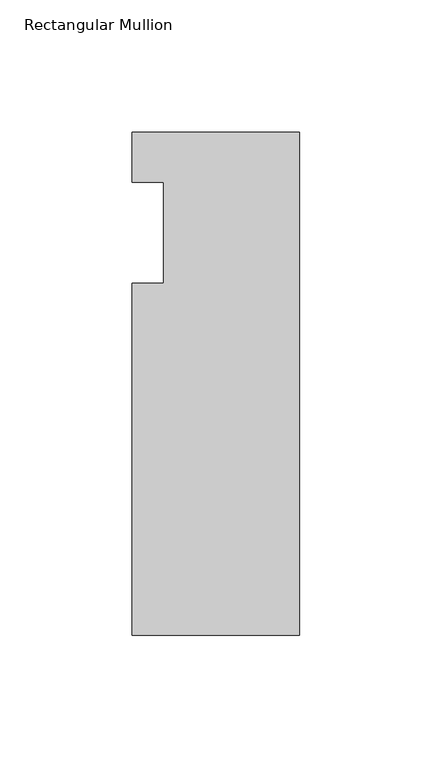
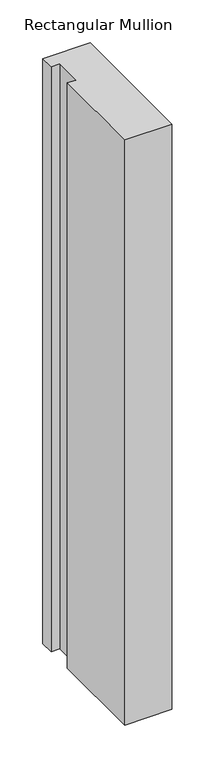
"""IFC4 building model written with IfcOpenShell, lengths in millimetres: member geometry, Rectangular Mullion."""

from ifc_helpers import new_model, si_unit, frame, origin, place, context, project, spatial, polyline, outline, extrude, source, transform, mapped, element, save


def rectangular_mullion_3954bdb7(model_context):
    return source(origin(), model_context, "Body", "SweptSolid", [
        extrude(outline(polyline([(-63.5, -152.4), (-63.5, -19.0495158), (-51.5874, -19.0495158), (-51.5874, 19.0504842), (-63.5, 19.0504842), (-63.5, 38.1), (0.0, 38.1), (0.0, -152.4), (-63.5, -152.4)])), frame((0.0, 0.0, -831.8382131), z_axis=(0.0, 0.0, 1.0), x_axis=(1.0, 0.0, 0.0)), (0.0, 0.0, 1.0), 831.8382131),
    ])


if __name__ == "__main__":
    model = new_model("IFC4")
    model_context = context("Model", 3, world=origin())
    ifc_project = project(units=[si_unit("LENGTHUNIT", "METRE", prefix="MILLI")], contexts=[model_context])
    site = spatial("IfcSite", under=ifc_project)
    building = spatial("IfcBuilding", under=site)
    placement = place(None, origin())
    rectangular_mullion_shape = rectangular_mullion_3954bdb7(model_context)
    element("IfcMember", 1, ObjectType="Rectangular Mullion", at=placement, inside=building, context=model_context, shape_type="MappedRepresentation", body=[
        mapped(rectangular_mullion_shape, transform((0.0, 0.0, 0.0), x_axis=(1.0, 0.0, 0.0), y_axis=(0.0, 1.0, 0.0), z_axis=(0.0, 0.0, 1.0))),
    ])
    save(model, "model.ifc")
